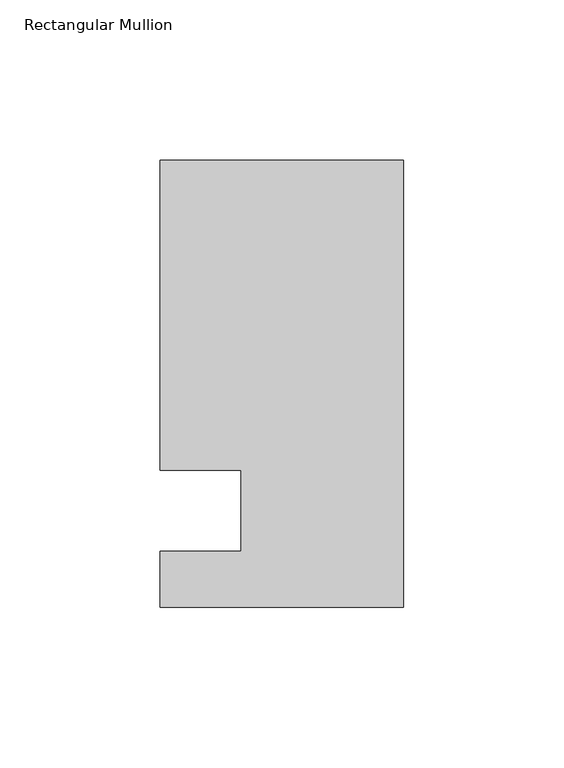
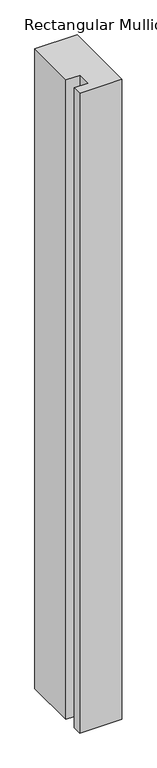
"""IFC4 building model written with IfcOpenShell, lengths in millimetres: member geometry, Rectangular Mullion."""

from ifc_helpers import new_model, si_unit, frame, origin, place, context, project, spatial, polyline, outline, extrude, source, transform, mapped, element, save


def rectangular_mullion_efebbbcd(model_context):
    return source(origin(), model_context, "Body", "SweptSolid", [
        extrude(outline(polyline([(42.4344027, 109.5375), (42.4344027, -30.1625), (-33.7655973, -30.1625), (-33.7655973, -12.7), (-8.3655973, -12.7), (-8.3655973, 12.7), (-33.7655973, 12.7), (-33.7655973, 109.5375), (42.4344027, 109.5375)])), frame((0.0, 0.0, -1219.2), z_axis=(0.0, 0.0, 1.0), x_axis=(1.0, 0.0, 0.0)), (0.0, 0.0, 1.0), 1219.2),
    ])


if __name__ == "__main__":
    model = new_model("IFC4")
    model_context = context("Model", 3, world=origin())
    ifc_project = project(units=[si_unit("LENGTHUNIT", "METRE", prefix="MILLI")], contexts=[model_context])
    site = spatial("IfcSite", under=ifc_project)
    building = spatial("IfcBuilding", under=site)
    placement = place(None, origin())
    rectangular_mullion_shape = rectangular_mullion_efebbbcd(model_context)
    element("IfcMember", 1, ObjectType="Rectangular Mullion", at=placement, inside=building, context=model_context, shape_type="MappedRepresentation", body=[
        mapped(rectangular_mullion_shape, transform((0.0, 0.0, 0.0), x_axis=(1.0, 0.0, 0.0), y_axis=(0.0, 1.0, 0.0), z_axis=(0.0, 0.0, 1.0))),
    ])
    save(model, "model.ifc")
